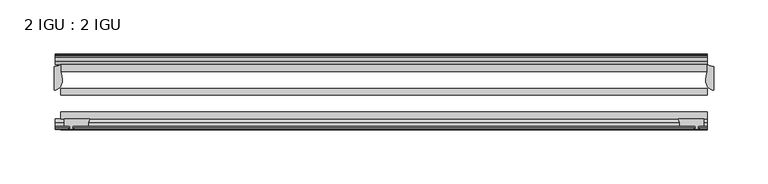
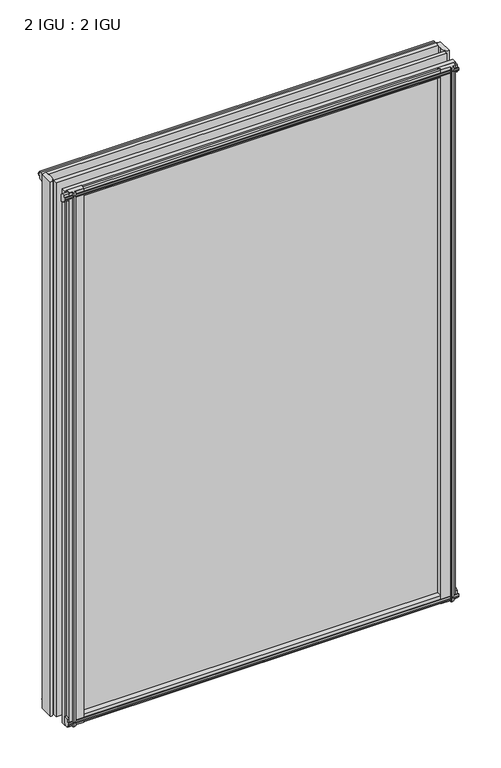
"""IFC4 building model written with IfcOpenShell, lengths in millimetres: plate geometry, 2 IGU : 2 IGU."""

from ifc_helpers import new_model, si_unit, point, frame, frame_2d, origin, place, context, project, spatial, polyline, circle_curve, ellipse_curve, trimmed, segment, composite_curve, outline, extrude, source, transform, mapped, element, save
from ifc_brep_helpers import plane_surface, cylinder_surface, revolved_surface, extruded_surface, advanced_brep


def plate_2_igu_2_igu_8575fe15(model_context):
    return source(origin(), model_context, "Body", "SolidModel", [
        advanced_brep(
        [(304.8, -21.2713143, -12.303125), (304.8, -43.2929845, -12.303125), (297.2354224, -33.7460937, -12.303125), (298.45, -25.8960937, -12.303125), (298.45, -19.5460937, -12.303125), (304.8, -21.2713143, 850.9), (298.45, -19.5460937, 850.9), (298.45, -25.8960937, 850.9), (297.2354224, -33.7460937, 850.9), (304.8, -43.2929845, 850.9)],
        [
            (0, 1),
            (1, 2, ellipse_curve(frame((304.8, -33.7460937, -12.303125), z_axis=(0.0, 0.0, -1.0), x_axis=(0.0, 1.0, 0.0)), 9.5468907, 7.5645776)),
            (2, 3, circle_curve(frame((323.2105831, -33.7460937, -12.303125), z_axis=(0.0, 0.0, -1.0), x_axis=(1.0, 0.0, 0.0)), 25.9751607)),
            (3, 4),
            (4, 0, circle_curve(frame((304.8, -8.7225169, -12.303125), z_axis=(0.0, 0.0, 1.0), x_axis=(1.0, 0.0, 0.0)), 12.5487974)),
            (5, 6, circle_curve(frame((304.8, -8.7225169, 850.9), z_axis=(0.0, 0.0, -1.0), x_axis=(1.0, 0.0, 0.0)), 12.5487974)),
            (6, 7),
            (7, 8, circle_curve(frame((323.2105831, -33.7460937, 850.9), z_axis=(0.0, 0.0, 1.0), x_axis=(1.0, 0.0, 0.0)), 25.9751607)),
            (8, 9, ellipse_curve(frame((304.8, -33.7460937, 850.9), z_axis=(0.0, 0.0, 1.0), x_axis=(0.0, 1.0, 0.0)), 9.5468907, 7.5645776)),
            (9, 5),
            (0, 5),
            (9, 1),
            (8, 2),
            (7, 3),
            (6, 4),
        ],
        [
            plane_surface(frame((304.8, -13.1960937, -12.303125), z_axis=(0.0, 0.0, -1.0), x_axis=(0.0, 1.0, 0.0))),
            plane_surface(frame((304.8, -13.1960937, 850.9), z_axis=(0.0, 0.0, 1.0), x_axis=(0.0, 1.0, 0.0))),
            plane_surface(frame((304.8, -21.2713143, -12.303125), z_axis=(1.0, 0.0, 0.0), x_axis=(0.0, 0.0, 1.0))),
            extruded_surface(trimmed(ellipse_curve(frame((304.8, -33.7460937, 850.9), z_axis=(0.0, 0.0, -1.0), x_axis=(0.0, 1.0, 0.0)), 9.5468907, 7.5645776), [point((304.8, -43.2929845, 850.9))], [point((297.2354224, -33.7460937, 850.9))], True, "CARTESIAN"), (0.0, 0.0, -863.203125), 863.203125),
            cylinder_surface(frame((323.2105831, -33.7460937, -12.303125), z_axis=(0.0, 0.0, -1.0), x_axis=(1.0, 0.0, 0.0)), 25.9751607),
            plane_surface(frame((298.45, -25.8960937, -12.303125), z_axis=(-1.0, 0.0, 0.0), x_axis=(0.0, 0.0, 1.0))),
            revolved_surface(polyline([(317.3487974, -8.7225169, 850.9), (317.3487974, -8.7225169, -12.303125)]), (304.8, -8.7225169, -12.303125), (0.0, 0.0, 1.0)),
        ],
        [
            (0, [[1, 2, 3, 4, 5]]),
            (1, [[6, 7, 8, 9, 10]]),
            (2, [[-1, 11, -10, 12]]),
            (3, [[-2, -12, -9, 13]]),
            (4, [[-3, -13, -8, 14]]),
            (5, [[-4, -14, -7, 15]]),
            (6, [[-5, -15, -6, -11]]),
        ],
    ),
        advanced_brep(
        [(-304.8, -21.2713143, -12.303125), (-298.45, -19.5460937, -12.303125), (-298.45, -25.8960937, -12.303125), (-297.2354224, -33.7460937, -12.303125), (-304.8, -43.2929845, -12.303125), (-304.8, -21.2713143, 850.9), (-304.8, -43.2929845, 850.9), (-297.2354224, -33.7460937, 850.9), (-298.45, -25.8960937, 850.9), (-298.45, -19.5460937, 850.9)],
        [
            (0, 1, circle_curve(frame((-304.8, -8.7225169, -12.303125), z_axis=(0.0, 0.0, 1.0), x_axis=(1.0, 0.0, 0.0)), 12.5487974)),
            (1, 2),
            (2, 3, circle_curve(frame((-323.2105831, -33.7460937, -12.303125), z_axis=(0.0, 0.0, -1.0), x_axis=(1.0, 0.0, 0.0)), 25.9751607)),
            (3, 4, ellipse_curve(frame((-304.8, -33.7460937, -12.303125), z_axis=(0.0, 0.0, -1.0), x_axis=(0.0, 1.0, 0.0)), 9.5468907, 7.5645776)),
            (4, 0),
            (5, 6),
            (6, 7, ellipse_curve(frame((-304.8, -33.7460937, 850.9), z_axis=(0.0, 0.0, 1.0), x_axis=(0.0, 1.0, 0.0)), 9.5468907, 7.5645776)),
            (7, 8, circle_curve(frame((-323.2105831, -33.7460937, 850.9), z_axis=(0.0, 0.0, 1.0), x_axis=(1.0, 0.0, 0.0)), 25.9751607)),
            (8, 9),
            (9, 5, circle_curve(frame((-304.8, -8.7225169, 850.9), z_axis=(0.0, 0.0, -1.0), x_axis=(1.0, 0.0, 0.0)), 12.5487974)),
            (0, 5),
            (9, 1),
            (8, 2),
            (7, 3),
            (6, 4),
        ],
        [
            plane_surface(frame((-304.8, -13.1960937, -12.303125), z_axis=(0.0, 0.0, -1.0), x_axis=(0.0, 1.0, 0.0))),
            plane_surface(frame((-304.8, -13.1960937, 850.9), z_axis=(0.0, 0.0, 1.0), x_axis=(0.0, 1.0, 0.0))),
            revolved_surface(polyline([(-292.2512026, -8.7225169, 850.9), (-292.2512026, -8.7225169, -12.303125)]), (-304.8, -8.7225169, -12.303125), (0.0, 0.0, 1.0)),
            plane_surface(frame((-298.45, -19.5460937, -12.303125), z_axis=(1.0, 0.0, 0.0), x_axis=(0.0, 0.0, 1.0))),
            cylinder_surface(frame((-323.2105831, -33.7460937, -12.303125), z_axis=(0.0, 0.0, -1.0), x_axis=(1.0, 0.0, 0.0)), 25.9751607),
            extruded_surface(trimmed(ellipse_curve(frame((-304.8, -33.7460937, 850.9), z_axis=(0.0, 0.0, -1.0), x_axis=(0.0, 1.0, 0.0)), 9.5468907, 7.5645776), [point((-297.2354224, -33.7460937, 850.9))], [point((-304.8, -43.2929845, 850.9))], True, "CARTESIAN"), (0.0, 0.0, -863.203125), 863.203125),
            plane_surface(frame((-304.8, -43.2929845, -12.303125), z_axis=(-1.0, 0.0, 0.0), x_axis=(0.0, 0.0, 1.0))),
        ],
        [
            (0, [[1, 2, 3, 4, 5]]),
            (1, [[6, 7, 8, 9, 10]]),
            (2, [[-1, 11, -10, 12]]),
            (3, [[-2, -12, -9, 13]]),
            (4, [[-3, -13, -8, 14]]),
            (5, [[-4, -14, -7, 15]]),
            (6, [[-5, -15, -6, -11]]),
        ],
    ),
        extrude(outline(composite_curve([segment(polyline([(-295.275, -69.9960936), (-272.0662713, -69.9960936)]), True, "CONTINUOUS"), segment(trimmed(circle_curve(frame_2d((-260.7088743, -75.0067563)), 12.4135896), [point((-272.0662713, -69.9960936))], [point((-273.05, -76.3460936))], True, "CARTESIAN"), True, "CONTINUOUS"), segment(polyline([(-273.05, -76.3460936), (-287.655, -76.3460936), (-287.9725, -78.4506955), (-286.7538941, -78.124171), (-286.5501, -78.884741), (-288.925, -79.5210936), (-291.2999, -78.884741), (-291.0961059, -78.124171), (-289.8775, -78.4506955), (-290.195, -76.3460936), (-295.275, -76.3460936), (-295.275, -69.9960936)]), True, "CONTINUOUS")], self_intersect=False)), frame((0.0, 0.0, -12.4587), z_axis=(0.0, 0.0, 1.0), x_axis=(1.0, 0.0, 0.0)), (0.0, 0.0, 1.0), 863.1174),
        extrude(outline(composite_curve([segment(polyline([(272.0662713, -69.9960936), (295.275, -69.9960936), (295.275, -76.3460936), (290.195, -76.3460936), (289.8775, -78.4506955), (291.0961059, -78.124171), (291.2999, -78.884741), (288.925, -79.5210936), (286.5501, -78.884741), (286.7538941, -78.124171), (287.9725, -78.4506955), (287.655, -76.3460936), (273.05, -76.3460936)]), True, "CONTINUOUS"), segment(trimmed(circle_curve(frame_2d((260.7088743, -75.0067563)), 12.4135896), [point((273.05, -76.3460936))], [point((272.0662713, -69.9960936))], True, "CARTESIAN"), True, "CONTINUOUS")], self_intersect=False)), frame((0.0, 0.0, -12.4587), z_axis=(0.0, 0.0, 1.0), x_axis=(1.0, 0.0, 0.0)), (0.0, 0.0, 1.0), 863.1174),
        extrude(outline(polyline([(-19.5460937, 1.5938931), (-13.1960937, -0.123825), (-13.1960937, -5.330825), (-10.8158968, -5.711825), (-11.27583, -4.2962959), (-10.4746158, -4.2962959), (-9.7670937, -6.473825), (-10.4746158, -8.6513541), (-11.27583, -8.6513541), (-10.8158968, -7.235825), (-13.1960937, -7.616825), (-13.1960937, -12.061825), (-16.1424937, -12.061825), (-19.5460937, -9.2274828), (-19.5460937, 1.5938931)])), frame((-298.45, 0.0, 0.0), z_axis=(1.0, 0.0, 0.0), x_axis=(0.0, 1.0, 0.0)), (0.0, 0.0, 1.0), 596.9),
        extrude(outline(polyline([(-69.9960936, 2.1145931), (-69.9960936, -8.7067828), (-73.3996936, -11.541125), (-76.3460936, -11.541125), (-76.3460936, -7.096125), (-78.7262905, -6.715125), (-78.2663573, -8.1306541), (-79.0675715, -8.1306541), (-79.7750936, -5.953125), (-79.0675715, -3.7755959), (-78.2663573, -3.7755959), (-78.7262905, -5.191125), (-76.3460936, -4.810125), (-76.3460936, 0.396875), (-69.9960936, 2.1145931)])), frame((-298.45, 0.0, 0.0), z_axis=(1.0, 0.0, 0.0), x_axis=(0.0, 1.0, 0.0)), (0.0, 0.0, 1.0), 596.9),
        extrude(outline(polyline([(-10.8158968, 845.8327), (-11.27583, 847.2482291), (-10.4746158, 847.2482291), (-9.7670937, 845.0707), (-10.4746158, 842.8931709), (-11.27583, 842.8931709), (-10.8158968, 844.3087), (-13.1960937, 843.9277), (-13.1960937, 838.7207), (-19.5460937, 837.0029819), (-19.5460937, 847.8243578), (-16.1424937, 850.6587), (-13.1960937, 850.6587), (-13.1960937, 846.2137), (-10.8158968, 845.8327)])), frame((-303.7961059, 0.0, 0.0), z_axis=(1.0, 0.0, 0.0), x_axis=(0.0, 1.0, 0.0)), (0.0, 0.0, 1.0), 602.2461059),
        extrude(outline(polyline([(-76.3460936, 850.138), (-73.3996936, 850.138), (-69.9960936, 847.3036578), (-69.9960936, 836.4822819), (-76.3460936, 838.2), (-76.3460936, 843.407), (-78.7262905, 843.788), (-78.2663573, 842.3724709), (-79.0675715, 842.3724709), (-79.7750936, 844.55), (-79.0675715, 846.7275291), (-78.2663573, 846.7275291), (-78.7262905, 845.312), (-76.3460936, 845.693), (-76.3460936, 850.138)])), frame((-303.7961059, 0.0, 0.0), z_axis=(1.0, 0.0, 0.0), x_axis=(0.0, 1.0, 0.0)), (0.0, 0.0, 1.0), 602.2461059),
        extrude(outline(polyline([(298.45, -19.5460937), (298.45, -25.8960937), (-298.45, -25.8960937), (-298.45, -19.5460937), (298.45, -19.5460937)])), frame((0.0, 0.0, -12.303125), z_axis=(0.0, 0.0, 1.0), x_axis=(1.0, 0.0, 0.0)), (0.0, 0.0, 1.0), 863.203125),
        extrude(outline(polyline([(-298.45, -41.5960937), (298.45, -41.5960937), (298.45, -47.9460937), (-298.45, -47.9460937), (-298.45, -41.5960937)])), frame((0.0, 0.0, -12.303125), z_axis=(0.0, 0.0, 1.0), x_axis=(1.0, 0.0, 0.0)), (0.0, 0.0, 1.0), 863.203125),
        extrude(outline(polyline([(298.45, -63.6460936), (298.45, -69.9960936), (-298.45, -69.9960936), (-298.45, -63.6460936), (298.45, -63.6460936)])), frame((0.0, 0.0, -12.303125), z_axis=(0.0, 0.0, 1.0), x_axis=(1.0, 0.0, 0.0)), (0.0, 0.0, 1.0), 863.203125),
    ])


if __name__ == "__main__":
    model = new_model("IFC4")
    model_context = context("Model", 3, world=origin())
    ifc_project = project(units=[si_unit("LENGTHUNIT", "METRE", prefix="MILLI")], contexts=[model_context])
    site = spatial("IfcSite", under=ifc_project)
    building = spatial("IfcBuilding", under=site)
    placement = place(None, origin())
    plate_2_igu_2_igu_shape = plate_2_igu_2_igu_8575fe15(model_context)
    element("IfcPlate", 1, ObjectType="2 IGU : 2 IGU", at=placement, inside=building, context=model_context, shape_type="MappedRepresentation", body=[
        mapped(plate_2_igu_2_igu_shape, transform((0.0, 0.0, 0.0), x_axis=(1.0, 0.0, 0.0), y_axis=(0.0, 1.0, 0.0), z_axis=(0.0, 0.0, 1.0))),
    ])
    save(model, "model.ifc")
